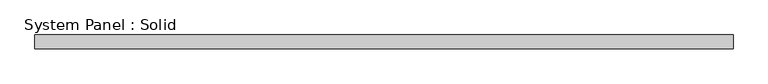
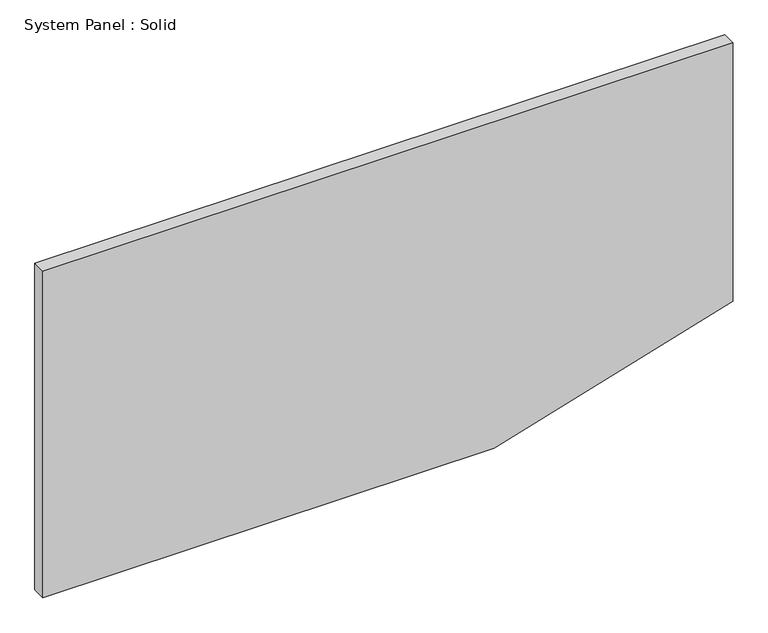
"""IFC4 building model written with IfcOpenShell, lengths in millimetres: plate geometry, System Panel : Solid."""

import ifcopenshell
import ifcopenshell.guid

model = None  # the IFC model being written
_history = None  # IfcOwnerHistory: only IFC2X3 demands one
_inside = {}  # id of a spatial element -> (the spatial element, [elements in it])
_under = {}  # id of a project, library or spatial element -> (it, [spatial elements below it])
_declared = {}  # id of a project -> (the project, [libraries it declares])
_typed = {}  # id of a type object -> (the type object, [elements of that type])
_made_of = {}  # id of a material, layer set ... -> (it, [elements and type objects made of it])


def new_model(schema):
    """Start an empty IFC model of exactly this schema.

    Asked for "IFC4X3", IfcOpenShell would pick the latest addendum, in which some entities
    have other attributes; the version numbers below select the first issue.
    IFC2X3 requires an IfcOwnerHistory on every rooted entity: one is made here for all.
    """
    global model, _history
    if schema == "IFC4X3":
        model = ifcopenshell.file(schema_version=(4, 3, 0, 0))
    else:
        model = ifcopenshell.file(schema=schema)
    _inside.clear()
    _under.clear()
    _declared.clear()
    _typed.clear()
    _made_of.clear()
    _history = None
    if model.schema == "IFC2X3":
        org = make("IfcOrganization", Name="unknown")
        user = make(
            "IfcPersonAndOrganization",
            ThePerson=make("IfcPerson", FamilyName="unknown"),
            TheOrganization=org,
        )
        app = make(
            "IfcApplication",
            ApplicationDeveloper=org,
            Version="unknown",
            ApplicationFullName="unknown",
            ApplicationIdentifier="unknown",
        )
        _history = make(
            "IfcOwnerHistory",
            OwningUser=user,
            OwningApplication=app,
            ChangeAction="ADDED",
            CreationDate=0,
        )
    return model


def make(cls, **values):
    """One entity of the class cls with the attributes given. An attribute that is None is left unset."""
    return model.create_entity(
        cls, **{name: value for name, value in values.items() if value is not None}
    )


def rooted(cls, **values):
    """An entity with a GlobalId (a new one), such as an element, a storey or a relation."""
    return make(cls, GlobalId=ifcopenshell.guid.new(), OwnerHistory=_history, **values)


def si_unit(unit_type, name, prefix=None):
    """IfcSIUnit, for example si_unit("LENGTHUNIT", "METRE", prefix="MILLI")."""
    return make("IfcSIUnit", UnitType=unit_type, Prefix=prefix, Name=name)


def assignment(units):
    """IfcUnitAssignment: the units of a project."""
    return None if units is None else make("IfcUnitAssignment", Units=units)


def point(xyz):
    """IfcCartesianPoint."""
    return None if xyz is None else make("IfcCartesianPoint", Coordinates=xyz)


def direction(xyz):
    """IfcDirection."""
    return None if xyz is None else make("IfcDirection", DirectionRatios=xyz)


def frame(location, z_axis=None, x_axis=None):
    """IfcAxis2Placement3D, a coordinate frame: its origin and axes. An axis left out is left unset."""
    return make(
        "IfcAxis2Placement3D",
        Location=point(location),
        Axis=direction(z_axis),
        RefDirection=direction(x_axis),
    )


def origin():
    """The frame at (0, 0, 0) with its axes left unset."""
    return frame((0.0, 0.0, 0.0))


def place(relative_to, where):
    """IfcLocalPlacement: puts the frame where relative to a parent placement (None: the world)."""
    return make(
        "IfcLocalPlacement", PlacementRelTo=relative_to, RelativePlacement=where
    )


def context(
    kind, dimensions, precision=None, world=None, true_north=None, identifier=None
):
    """IfcGeometricRepresentationContext, for example the 3D "Model" context."""
    return make(
        "IfcGeometricRepresentationContext",
        ContextIdentifier=identifier,
        ContextType=kind,
        CoordinateSpaceDimension=dimensions,
        Precision=precision,
        WorldCoordinateSystem=world,
        TrueNorth=true_north,
    )


def project(units=None, contexts=None):
    """IfcProject with its units and contexts."""
    return rooted(
        "IfcProject",
        Name="project",
        RepresentationContexts=contexts,
        UnitsInContext=assignment(units),
    )


def spatial(cls, under=None, at=None, **own):
    """A site, building, storey or space (cls), placed at a placement, below another one or the project."""
    s = rooted(cls, ObjectPlacement=at, **own)
    if under is not None:
        _under.setdefault(under.id(), (under, []))[1].append(s)
    return s


def polyline(points):
    """IfcPolyline through the points."""
    return make("IfcPolyline", Points=[point(p) for p in points])


def outline(outer, holes=None, kind="AREA"):
    """IfcArbitraryClosedProfileDef: a profile drawn as a closed curve; with holes, ...WithVoids."""
    if holes is None:
        return make("IfcArbitraryClosedProfileDef", ProfileType=kind, OuterCurve=outer)
    return make(
        "IfcArbitraryProfileDefWithVoids",
        ProfileType=kind,
        OuterCurve=outer,
        InnerCurves=holes,
    )


def extrude(swept, where, along, depth):
    """IfcExtrudedAreaSolid: the profile swept, set in the frame where, extruded along a direction by depth."""
    return make(
        "IfcExtrudedAreaSolid",
        SweptArea=swept,
        Position=where,
        ExtrudedDirection=direction(along),
        Depth=depth,
    )


def shape(context_of_items, identifier, shape_type, items):
    """IfcShapeRepresentation: the items that make up one representation, for example the "Body"."""
    return make(
        "IfcShapeRepresentation",
        ContextOfItems=context_of_items,
        RepresentationIdentifier=identifier,
        RepresentationType=shape_type,
        Items=items,
    )


def source(mapping_origin, context_of_items, identifier, shape_type, items):
    """IfcRepresentationMap: a shape defined once, which mapped items show again and again."""
    return make(
        "IfcRepresentationMap",
        MappingOrigin=mapping_origin,
        MappedRepresentation=shape(context_of_items, identifier, shape_type, items),
    )


def transform(
    local_origin,
    x_axis=None,
    y_axis=None,
    z_axis=None,
    scale=None,
    scale2=None,
    scale3=None,
    uniform=True,
):
    """IfcCartesianTransformationOperator3D, or its non-uniform kind. x_axis, y_axis, z_axis: its Axis1, 2, 3."""
    if uniform:
        return make(
            "IfcCartesianTransformationOperator3D",
            Axis1=direction(x_axis),
            Axis2=direction(y_axis),
            LocalOrigin=point(local_origin),
            Scale=scale,
            Axis3=direction(z_axis),
        )
    return make(
        "IfcCartesianTransformationOperator3DnonUniform",
        Axis1=direction(x_axis),
        Axis2=direction(y_axis),
        LocalOrigin=point(local_origin),
        Scale=scale,
        Axis3=direction(z_axis),
        Scale2=scale2,
        Scale3=scale3,
    )


def mapped(mapping_source, mapping_target):
    """IfcMappedItem: shows the shape of a source again, moved by a transform."""
    return make(
        "IfcMappedItem", MappingSource=mapping_source, MappingTarget=mapping_target
    )


def made_of(thing, what):
    """Note that an element or type object is made of a material, layer set ...; save() writes the relation."""
    if what is not None:
        _made_of.setdefault(what.id(), (what, []))[1].append(thing)
    return thing


def element(
    cls,
    number,
    at=None,
    inside=None,
    cuts=None,
    type_object=None,
    material=None,
    context=None,
    identifier="Body",
    shape_type=None,
    held_by="IfcProductDefinitionShape",
    body=None,
    shapes=None,
    **own,
):
    """One element of the class cls, such as IfcWall. Its Tag is "e" and its number.

    at: its placement. inside: the storey or other place that contains it. cuts: it is an
    opening in that element (IfcRelVoidsElement). A single representation is given by context,
    identifier, shape_type and body (its items); several are given by shapes. held_by: the class
    of the entity that holds the representations. save() writes the other relations.
    """
    e = rooted(cls, Tag="e%d" % number, ObjectPlacement=at, **own)
    if body is not None:
        shapes = [shape(context, identifier, shape_type, body)]
    if shapes is not None:
        e.Representation = make(held_by, Representations=shapes)
    if inside is not None:
        _inside.setdefault(inside.id(), (inside, []))[1].append(e)
    if cuts is not None:
        rooted(
            "IfcRelVoidsElement", RelatingBuildingElement=cuts, RelatedOpeningElement=e
        )
    if type_object is not None:
        _typed.setdefault(type_object.id(), (type_object, []))[1].append(e)
    return made_of(e, material)


def aggregate(whole, parts):
    """IfcRelAggregates: a whole, such as a stair, and the parts it consists of."""
    return rooted("IfcRelAggregates", RelatingObject=whole, RelatedObjects=parts)


def save(model, path):
    """Write the relations noted so far, then the file.

    IfcRelAggregates (storeys below a building ...), IfcRelContainedInSpatialStructure (elements
    in a storey), IfcRelDefinesByType, IfcRelAssociatesMaterial and IfcRelDeclares: one each for
    every whole, place, type object, material and project.
    """
    for whole, parts in _under.values():
        aggregate(whole, parts)
    for where, things in _inside.values():
        rooted(
            "IfcRelContainedInSpatialStructure",
            RelatedElements=things,
            RelatingStructure=where,
        )
    for kind, things in _typed.values():
        rooted("IfcRelDefinesByType", RelatedObjects=things, RelatingType=kind)
    for what, things in _made_of.values():
        rooted("IfcRelAssociatesMaterial", RelatedObjects=things, RelatingMaterial=what)
    for by, libraries in _declared.values():
        rooted("IfcRelDeclares", RelatingContext=by, RelatedDefinitions=libraries)
    model.write(path)


def system_panel_solid_3915ab79(model_context):
    return source(origin(), model_context, "Body", "SweptSolid", [
        extrude(outline(polyline([(0.0, -1500.0), (0.0, 461.1622111), (312.2577066, 1500.0), (1500.0, 1500.0), (1500.0, -1500.0), (0.0, -1500.0)])), frame((0.0, -10.5, 0.0), z_axis=(0.0, 1.0, 0.0), x_axis=(0.0, 0.0, 1.0)), (0.0, 0.0, 1.0), 60.0),
    ])


if __name__ == "__main__":
    model = new_model("IFC4")
    model_context = context("Model", 3, world=origin())
    ifc_project = project(units=[si_unit("LENGTHUNIT", "METRE", prefix="MILLI")], contexts=[model_context])
    site = spatial("IfcSite", under=ifc_project)
    building = spatial("IfcBuilding", under=site)
    placement = place(None, origin())
    system_panel_solid_shape = system_panel_solid_3915ab79(model_context)
    element("IfcPlate", 1, ObjectType="System Panel : Solid", at=placement, inside=building, context=model_context, shape_type="MappedRepresentation", body=[
        mapped(system_panel_solid_shape, transform((0.0, 0.0, 0.0), x_axis=(1.0, 0.0, 0.0), y_axis=(0.0, 1.0, 0.0), z_axis=(0.0, 0.0, 1.0))),
    ])
    save(model, "model.ifc")
